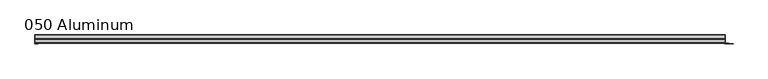
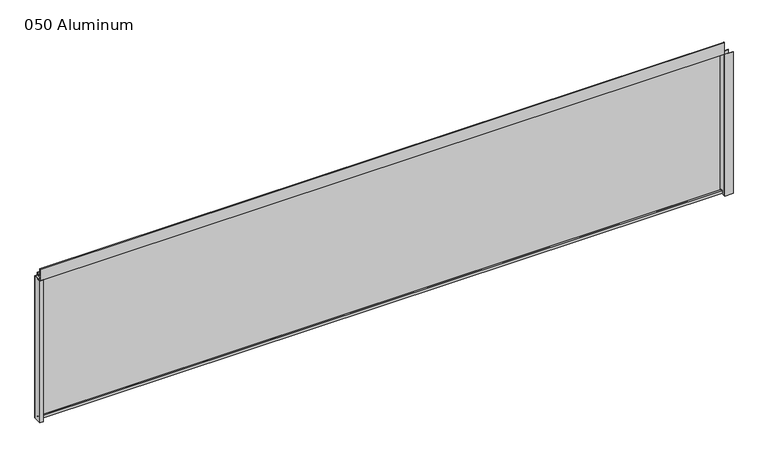
"""IFC4 building model written with IfcOpenShell, lengths in millimetres: plate geometry, 050 Aluminum."""

from ifc_helpers import new_model, si_unit, point, frame, frame_2d, origin, origin_with_axes, place, context, project, spatial, polyline, circle_curve, trimmed, segment, composite_curve, outline, extrude, source, transform, mapped, element, save


def plate_050_aluminum_776bcf9e(model_context):
    return source(origin(), model_context, "Body", "SweptSolid", [
        extrude(outline(polyline([(-1395.3331249, 2.5660257), (-1382.4426243, 2.5660257), (-1382.4426243, 1.2699999), (-1396.6031248, 1.2699999), (-1396.6031248, 34.7980001), (-1395.3331249, 34.7980001), (-1395.3331249, 2.5660257)])), origin_with_axes(), (0.0, 0.0, 1.0), 608.33),
        extrude(outline(composite_curve([segment(trimmed(circle_curve(frame_2d((19.8514743, 13.124237)), 3.175), [point((16.6765477, 13.1458337))], [point((23.0264743, 13.124237))], False, "CARTESIAN"), True, "CONTINUOUS"), segment(polyline([(23.0264743, 13.124237), (23.0264743, 1.2693678), (34.7980002, 1.2693678), (34.7980002, 0.0), (21.7564743, 0.0), (21.7564743, 13.124237)]), True, "CONTINUOUS"), segment(trimmed(circle_curve(frame_2d((19.8514743, 13.124237)), 1.905), [point((21.7564743, 13.124237))], [point((17.9464915, 13.1323356))], True, "CARTESIAN"), True, "CONTINUOUS"), segment(polyline([(17.9464915, 13.1323356), (17.9464915, 2.786437), (16.6765477, 2.786437), (16.6765477, 13.1458337)]), True, "CONTINUOUS")], self_intersect=False)), frame((-1395.3331249, 0.0, 0.0), z_axis=(1.0, 0.0, 0.0), x_axis=(0.0, 1.0, 0.0)), (0.0, 0.0, 1.0), 2777.9662498),
        extrude(outline(composite_curve([segment(trimmed(circle_curve(frame_2d((3.7084742, 656.7932001)), 1.6509999), [point((2.0574743, 656.7932001))], [point((5.3594742, 656.7932001))], False, "CARTESIAN"), True, "CONTINUOUS"), segment(polyline([(5.3594742, 656.7932001), (5.3594742, 623.57), (19.2164743, 623.57), (19.2164743, 633.6538), (20.4864742, 633.6538), (20.4864742, 622.3), (4.0894742, 622.3), (4.0894742, 656.7932001)]), True, "CONTINUOUS"), segment(trimmed(circle_curve(frame_2d((3.7084742, 656.7932001)), 0.3809999), [point((4.0894742, 656.7932001))], [point((3.3274743, 656.7932001))], True, "CARTESIAN"), True, "CONTINUOUS"), segment(polyline([(3.3274743, 656.7932001), (3.3274743, 609.6000001), (34.7980002, 609.6000001), (34.7980002, 608.33), (2.0574743, 608.33), (2.0574743, 656.7932001)]), True, "CONTINUOUS")], self_intersect=False)), frame((-1395.3331249, 0.0, 0.0), z_axis=(1.0, 0.0, 0.0), x_axis=(0.0, 1.0, 0.0)), (0.0, 0.0, 1.0), 2777.9662498),
        extrude(outline(polyline([(-1396.6031249, 36.068), (1383.9031249, 36.068), (1383.9031249, 34.7980001), (-1396.6031249, 34.7980001), (-1396.6031249, 36.068)])), origin_with_axes(), (0.0, 0.0, 1.0), 609.6),
        extrude(outline(polyline([(1383.9031249, 1.2699999), (1416.4152106, 1.2699999), (1416.4152106, 0.0), (1382.633125, 0.0), (1382.633125, 34.7980002), (1383.9031249, 34.7980002), (1383.9031249, 1.2699999)])), origin_with_axes(), (0.0, 0.0, 1.0), 608.33),
        extrude(outline(polyline([(1382.6331249, 3.3274743), (1398.3811248, 3.3274743), (1398.3811248, 2.0574743), (1382.6331249, 2.0574743), (1382.6331249, 3.3274743)])), origin_with_axes(), (0.0, 0.0, 1.0), 622.3),
    ])


if __name__ == "__main__":
    model = new_model("IFC4")
    model_context = context("Model", 3, world=origin())
    ifc_project = project(units=[si_unit("LENGTHUNIT", "METRE", prefix="MILLI")], contexts=[model_context])
    site = spatial("IfcSite", under=ifc_project)
    building = spatial("IfcBuilding", under=site)
    placement = place(None, origin())
    plate_050_aluminum_shape = plate_050_aluminum_776bcf9e(model_context)
    element("IfcPlate", 1, ObjectType="050 Aluminum", at=placement, inside=building, context=model_context, shape_type="MappedRepresentation", body=[
        mapped(plate_050_aluminum_shape, transform((0.0, 0.0, 0.0), x_axis=(1.0, 0.0, 0.0), y_axis=(0.0, 1.0, 0.0), z_axis=(0.0, 0.0, 1.0))),
    ])
    save(model, "model.ifc")
